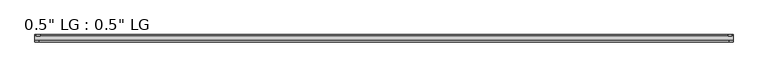
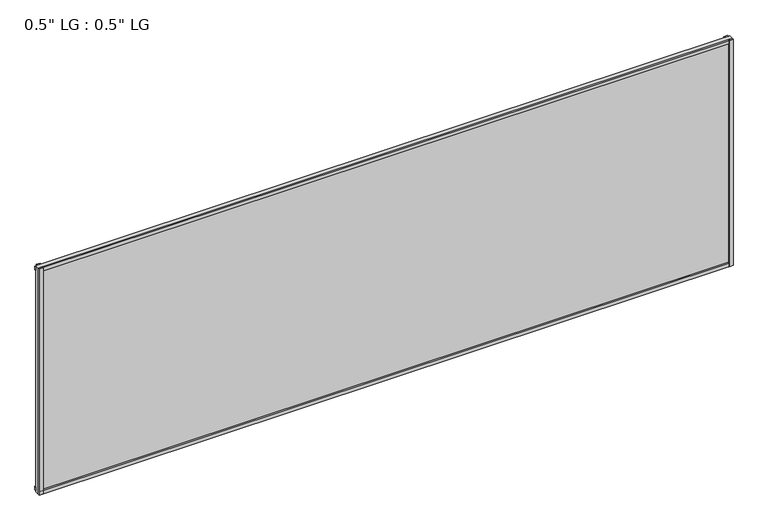
"""IFC4 building model written with IfcOpenShell, lengths in millimetres: plate geometry."""

from ifc_helpers import new_model, si_unit, frame, origin, origin_with_axes, place, context, project, spatial, polyline, outline, extrude, source, transform, mapped, element, save


def plate_e10c4bfc(model_context):
    return source(origin(), model_context, "Body", "SweptSolid", [
        extrude(outline(polyline([(1080.7522048, -33.3271813), (1080.7522048, -38.0007813), (1068.6145252, -38.0007813), (1068.6145252, -33.3271813), (1080.7522048, -33.3271813)])), origin_with_axes(), (0.0, 0.0, 1.0), 744.6980689),
        extrude(outline(polyline([(1077.2208511, -15.5217813), (1077.2208511, -19.7127813), (1065.2084273, -19.7127813), (1065.2084273, -15.5217813), (1077.2208511, -15.5217813)])), origin_with_axes(), (0.0, 0.0, 1.0), 744.6980689),
        extrude(outline(polyline([(-1068.4616268, -38.0007812), (-1080.7522048, -38.0007812), (-1080.7522048, -33.3271813), (-1068.4616268, -33.3271813), (-1068.4616268, -38.0007812)])), origin_with_axes(), (0.0, 0.0, 1.0), 744.6980689),
        extrude(outline(polyline([(-1064.5023889, -19.7127813), (-1076.7929669, -19.7127813), (-1076.7929669, -15.5217812), (-1064.5023889, -15.5217812), (-1064.5023889, -19.7127813)])), origin_with_axes(), (0.0, 0.0, 1.0), 744.6980689),
        extrude(outline(polyline([(1080.7522048, -33.3271813), (1080.7522048, -38.0007813), (-1080.7522048, -38.0007812), (-1080.7522048, -33.3271812), (1080.7522048, -33.3271813)])), origin_with_axes(), (0.0, 0.0, 1.0), 11.1693096),
        extrude(outline(polyline([(1080.7522048, -15.3590708), (1080.7522048, -20.1364307), (-1080.7522048, -20.1364307), (-1080.7522048, -15.3590708), (1080.7522048, -15.3590708)])), frame((0.0, 0.0, 3.848913), z_axis=(0.0, 0.0, 1.0), x_axis=(1.0, 0.0, 0.0)), (0.0, 0.0, 1.0), 11.1693096),
        extrude(outline(polyline([(1080.7522048, -33.3271813), (1080.7522048, -38.0007813), (-1080.7522048, -38.0007812), (-1080.7522048, -33.3271812), (1080.7522048, -33.3271813)])), frame((0.0, 0.0, 733.516963), z_axis=(0.0, 0.0, 1.0), x_axis=(1.0, 0.0, 0.0)), (0.0, 0.0, 1.0), 11.1811058),
        extrude(outline(polyline([(1080.7522048, -15.5217813), (1080.7522048, -19.7127813), (-1080.7522048, -19.7127812), (-1080.7522048, -15.5217812), (1080.7522048, -15.5217813)])), frame((0.0, 0.0, 728.9578163), z_axis=(0.0, 0.0, 1.0), x_axis=(1.0, 0.0, 0.0)), (0.0, 0.0, 1.0), 11.1811058),
        extrude(outline(polyline([(1080.7522048, -33.3271812), (-1080.7522048, -33.3271812), (-1080.7522048, -19.7127812), (1080.7522048, -19.7127812), (1080.7522048, -33.3271812)])), origin_with_axes(), (0.0, 0.0, 1.0), 744.6980689),
    ])


if __name__ == "__main__":
    model = new_model("IFC4")
    model_context = context("Model", 3, world=origin())
    ifc_project = project(units=[si_unit("LENGTHUNIT", "METRE", prefix="MILLI")], contexts=[model_context])
    site = spatial("IfcSite", under=ifc_project)
    building = spatial("IfcBuilding", under=site)
    placement = place(None, origin())
    plate_shape = plate_e10c4bfc(model_context)
    element("IfcPlate", 1, ObjectType="0.5\" LG : 0.5\" LG", at=placement, inside=building, context=model_context, shape_type="MappedRepresentation", body=[
        mapped(plate_shape, transform((0.0, 0.0, 0.0), x_axis=(1.0, 0.0, 0.0), y_axis=(0.0, 1.0, 0.0), z_axis=(0.0, 0.0, 1.0))),
    ])
    save(model, "model.ifc")
